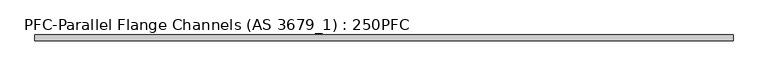
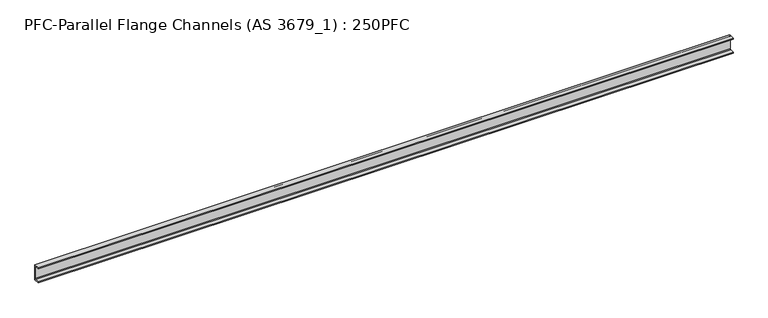
"""IFC4 building model written with IfcOpenShell, lengths in millimetres: beam geometry, PFC-Parallel Flange Channels (AS 3679_1) : 250PFC."""

from ifc_helpers import new_model, si_unit, point, frame, frame_2d, origin, place, context, project, spatial, polyline, circle_curve, trimmed, segment, composite_curve, outline, extrude, source, transform, mapped, element, save


def pfc_parallel_flange_channels_as_3679_1_250pfc_42170fce(model_context):
    return source(origin(), model_context, "Body", "SweptSolid", [
        extrude(outline(composite_curve([segment(polyline([(28.6, 125.0), (28.6, -125.0), (-61.4, -125.0), (-61.4, -110.0), (8.6, -110.0)]), True, "CONTINUOUS"), segment(trimmed(circle_curve(frame_2d((8.6, -98.0)), 12.0), [point((8.6, -110.0))], [point((20.6, -98.0))], True, "CARTESIAN"), True, "CONTINUOUS"), segment(polyline([(20.6, -98.0), (20.6, 98.0)]), True, "CONTINUOUS"), segment(trimmed(circle_curve(frame_2d((8.6, 98.0)), 12.0), [point((20.6, 98.0))], [point((8.6, 110.0))], True, "CARTESIAN"), True, "CONTINUOUS"), segment(polyline([(8.6, 110.0), (-61.4, 110.0), (-61.4, 125.0), (28.6, 125.0)]), True, "CONTINUOUS")], self_intersect=False)), frame((-6003.9, 0.0, 0.0), z_axis=(1.0, 0.0, 0.0), x_axis=(0.0, 1.0, 0.0)), (0.0, 0.0, 1.0), 10964.7),
    ])


if __name__ == "__main__":
    model = new_model("IFC4")
    model_context = context("Model", 3, world=origin())
    ifc_project = project(units=[si_unit("LENGTHUNIT", "METRE", prefix="MILLI")], contexts=[model_context])
    site = spatial("IfcSite", under=ifc_project)
    building = spatial("IfcBuilding", under=site)
    placement = place(None, origin())
    pfc_parallel_flange_channels_as_3679_1_250pfc_shape = pfc_parallel_flange_channels_as_3679_1_250pfc_42170fce(model_context)
    element("IfcBeam", 1, ObjectType="PFC-Parallel Flange Channels (AS 3679_1) : 250PFC", at=placement, inside=building, context=model_context, shape_type="MappedRepresentation", body=[
        mapped(pfc_parallel_flange_channels_as_3679_1_250pfc_shape, transform((0.0, 0.0, 0.0), x_axis=(1.0, 0.0, 0.0), y_axis=(0.0, 1.0, 0.0), z_axis=(0.0, 0.0, 1.0))),
    ])
    save(model, "model.ifc")
